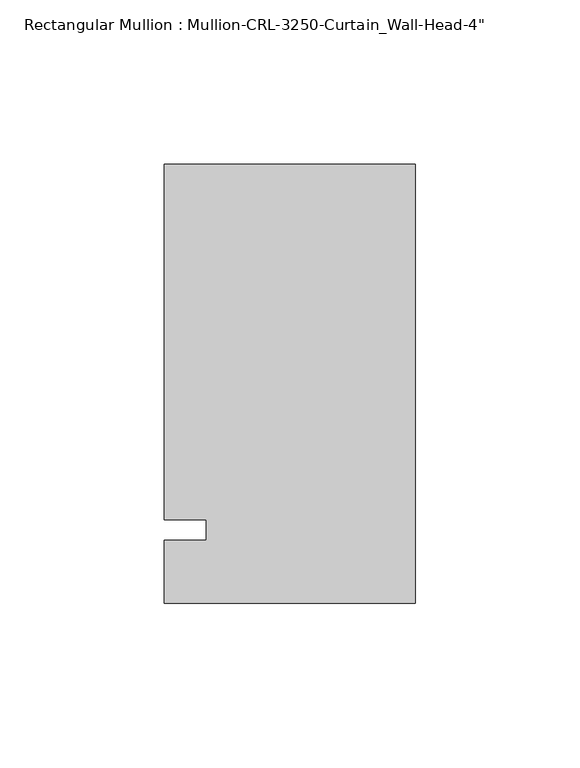
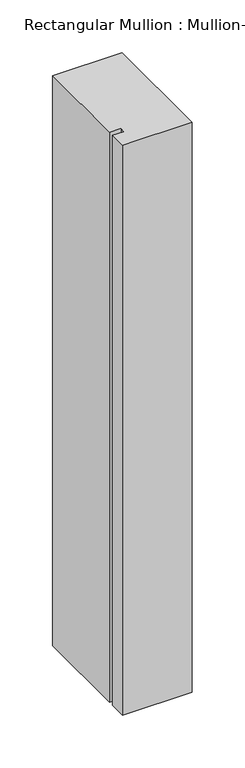
"""IFC4 building model written with IfcOpenShell, lengths in millimetres: member geometry."""

from ifc_helpers import new_model, si_unit, frame, origin, place, context, project, spatial, polyline, outline, extrude, source, transform, mapped, element, save


def member_644b9395(model_context):
    return source(origin(), model_context, "Body", "SweptSolid", [
        extrude(outline(polyline([(0.0, -22.2254168), (-76.199997, -22.2254168), (-76.199997, -3.175), (-63.499997, -3.175), (-63.499997, 3.175), (-76.199997, 3.175), (-76.199997, 111.1245832), (0.0, 111.1245832), (0.0, -22.2254168)])), frame((0.0, 0.0, -660.5746383), z_axis=(0.0, 0.0, 1.0), x_axis=(1.0, 0.0, 0.0)), (0.0, 0.0, 1.0), 660.5746383),
    ])


if __name__ == "__main__":
    model = new_model("IFC4")
    model_context = context("Model", 3, world=origin())
    ifc_project = project(units=[si_unit("LENGTHUNIT", "METRE", prefix="MILLI")], contexts=[model_context])
    site = spatial("IfcSite", under=ifc_project)
    building = spatial("IfcBuilding", under=site)
    placement = place(None, origin())
    member_shape = member_644b9395(model_context)
    element("IfcMember", 1, ObjectType="Rectangular Mullion : Mullion-CRL-3250-Curtain_Wall-Head-4\"", at=placement, inside=building, context=model_context, shape_type="MappedRepresentation", body=[
        mapped(member_shape, transform((0.0, 0.0, 0.0), x_axis=(1.0, 0.0, 0.0), y_axis=(0.0, 1.0, 0.0), z_axis=(0.0, 0.0, 1.0))),
    ])
    save(model, "model.ifc")
